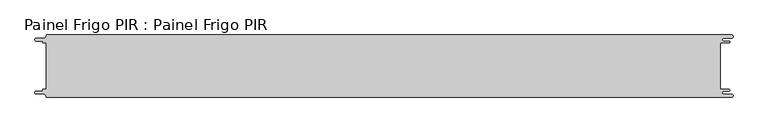
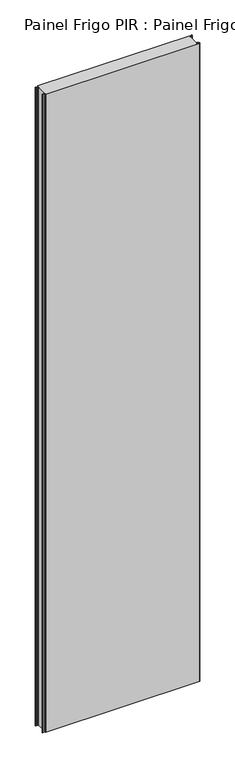
"""IFC4 building model written with IfcOpenShell, lengths in millimetres: proxy geometry, Painel Frigo PIR : Painel Frigo PIR."""

from ifc_helpers import new_model, si_unit, frame, origin, place, context, project, spatial, polyline, circle_curve, source, transform, mapped, element, save
from ifc_brep_helpers import plane_surface, cylinder_surface, revolved_surface, advanced_brep


def painel_frigo_pir_painel_frigo_pir_ecd0dfb1(model_context):
    return source(origin(), model_context, "Body", "AdvancedBrep", [
        advanced_brep(
        [(-554.5874998, -37.3, 4800.0), (-555.1874998, -37.9, 4800.0), (-555.1874998, -38.7085184, 4800.0), (-556.5875001, -40.1085187, 4800.0), (-565.565625, -40.1085187, 4800.0), (-565.565625, -44.5085185, 4800.0), (-553.55, -44.5085185, 4800.0), (-550.0, -48.0585185, 4800.0), (-548.05, -50.0, 4800.0), (546.89375, -50.0, 4800.0), (546.89375, -44.725, 4800.0), (534.45625, -44.725, 4800.0), (534.45625, -39.875, 4800.0), (543.1187503, -39.875, 4800.0), (543.1187503, -37.3, 4800.0), (529.2687503, -37.3, 4800.0), (529.2687503, 37.3, 4800.0), (543.1187503, 37.3, 4800.0), (543.1187503, 39.875, 4800.0), (534.45625, 39.875, 4800.0), (534.45625, 44.725, 4800.0), (546.89375, 44.725, 4800.0), (546.89375, 50.0, 4800.0), (-548.05, 50.0, 4800.0), (-550.0, 48.05, 4800.0), (-553.55, 44.5085185, 4800.0), (-565.565625, 44.5085185, 4800.0), (-565.565625, 40.1085185, 4800.0), (-556.5875003, 40.1085185, 4800.0), (-555.1875003, 38.7085185, 4800.0), (-555.1875003, 37.9, 4800.0), (-554.5874998, 37.2999995, 4800.0), (-549.2999612, 37.2999995, 4800.0), (-549.2999612, -37.3, 4800.0), (-554.5874998, -37.3, 0.0), (-549.2999612, -37.3, 0.0), (-549.2999612, 37.2999995, 0.0), (-554.5874998, 37.2999995, 0.0), (-555.1875003, 37.9, 0.0), (-555.1875003, 38.7085185, 0.0), (-556.5875003, 40.1085185, 0.0), (-565.565625, 40.1085185, 0.0), (-565.565625, 44.5085185, 0.0), (-553.55, 44.5085185, 0.0), (-550.0, 48.0585185, 0.0), (-548.05, 50.0, 0.0), (546.89375, 50.0, 0.0), (546.89375, 44.725, 0.0), (534.45625, 44.725, 0.0), (534.45625, 39.875, 0.0), (543.1187503, 39.875, 0.0), (543.1187503, 37.3, 0.0), (529.2687503, 37.3, 0.0), (529.2687503, -37.3, 0.0), (543.1187503, -37.3, 0.0), (543.1187503, -39.875, 0.0), (534.45625, -39.875, 0.0), (534.45625, -44.725, 0.0), (546.89375, -44.725, 0.0), (546.89375, -50.0, 0.0), (-548.05, -50.0, 0.0), (-550.0, -48.05, 0.0), (-553.55, -44.5085185, 0.0), (-565.565625, -44.5085185, 0.0), (-565.565625, -40.1085187, 0.0), (-556.5875001, -40.1085187, 0.0), (-555.1874998, -38.7085184, 0.0), (-555.1874998, -37.9, 0.0)],
        [
            (0, 1, circle_curve(frame((-554.5874998, -37.9, 4800.0), z_axis=(0.0, 0.0, 1.0), x_axis=(1.0, 0.0, 0.0)), 0.6)),
            (1, 2),
            (2, 3, circle_curve(frame((-556.5875001, -38.7085184, 4800.0), z_axis=(0.0, 0.0, -1.0), x_axis=(1.0, 0.0, 0.0)), 1.4000003)),
            (3, 4),
            (4, 5, circle_curve(frame((-565.565625, -42.3085186, 4800.0), z_axis=(0.0, 0.0, 1.0), x_axis=(1.0, 0.0, 0.0)), 2.1999999)),
            (5, 6),
            (6, 7, circle_curve(frame((-553.55, -48.0585185, 4800.0), z_axis=(0.0, 0.0, -1.0), x_axis=(1.0, 0.0, 0.0)), 3.55)),
            (7, 8, circle_curve(frame((-548.05, -48.05, 4800.0), z_axis=(0.0, 0.0, 1.0), x_axis=(1.0, 0.0, 0.0)), 1.95)),
            (8, 9),
            (9, 10, circle_curve(frame((546.89375, -47.3625, 4800.0), z_axis=(0.0, 0.0, 1.0), x_axis=(1.0, 0.0, 0.0)), 2.6375)),
            (10, 11),
            (11, 12, circle_curve(frame((534.45625, -42.3, 4800.0), z_axis=(0.0, 0.0, -1.0), x_axis=(1.0, 0.0, 0.0)), 2.425)),
            (12, 13),
            (13, 14, circle_curve(frame((543.1187503, -38.5875, 4800.0), z_axis=(0.0, 0.0, 1.0), x_axis=(1.0, 0.0, 0.0)), 1.2875)),
            (14, 15),
            (15, 16),
            (16, 17),
            (17, 18, circle_curve(frame((543.1187503, 38.5875, 4800.0), z_axis=(0.0, 0.0, 1.0), x_axis=(1.0, 0.0, 0.0)), 1.2875)),
            (18, 19),
            (19, 20, circle_curve(frame((534.45625, 42.3, 4800.0), z_axis=(0.0, 0.0, -1.0), x_axis=(1.0, 0.0, 0.0)), 2.425)),
            (20, 21),
            (21, 22, circle_curve(frame((546.89375, 47.3625, 4800.0), z_axis=(0.0, 0.0, 1.0), x_axis=(1.0, 0.0, 0.0)), 2.6375)),
            (22, 23),
            (23, 24, circle_curve(frame((-548.05, 48.05, 4800.0), z_axis=(0.0, 0.0, 1.0), x_axis=(1.0, 0.0, 0.0)), 1.95)),
            (24, 25, circle_curve(frame((-553.55, 48.0585185, 4800.0), z_axis=(0.0, 0.0, -1.0), x_axis=(1.0, 0.0, 0.0)), 3.55)),
            (25, 26),
            (26, 27, circle_curve(frame((-565.565625, 42.3085185, 4800.0), z_axis=(0.0, 0.0, 1.0), x_axis=(1.0, 0.0, 0.0)), 2.2)),
            (27, 28),
            (28, 29, circle_curve(frame((-556.5875003, 38.7085185, 4800.0), z_axis=(0.0, 0.0, -1.0), x_axis=(1.0, 0.0, 0.0)), 1.4)),
            (29, 30),
            (30, 31, circle_curve(frame((-554.5874998, 37.9, 4800.0), z_axis=(0.0, 0.0, 1.0), x_axis=(1.0, 0.0, 0.0)), 0.6000005)),
            (31, 32),
            (32, 33),
            (33, 0),
            (34, 35),
            (35, 36),
            (36, 37),
            (37, 38, circle_curve(frame((-554.5874998, 37.9, 0.0), z_axis=(0.0, 0.0, -1.0), x_axis=(1.0, 0.0, 0.0)), 0.6000005)),
            (38, 39),
            (39, 40, circle_curve(frame((-556.5875003, 38.7085185, 0.0), z_axis=(0.0, 0.0, 1.0), x_axis=(1.0, 0.0, 0.0)), 1.4)),
            (40, 41),
            (41, 42, circle_curve(frame((-565.565625, 42.3085185, 0.0), z_axis=(0.0, 0.0, -1.0), x_axis=(1.0, 0.0, 0.0)), 2.2)),
            (42, 43),
            (43, 44, circle_curve(frame((-553.55, 48.0585185, 0.0), z_axis=(0.0, 0.0, 1.0), x_axis=(1.0, 0.0, 0.0)), 3.55)),
            (44, 45, circle_curve(frame((-548.05, 48.05, 0.0), z_axis=(0.0, 0.0, -1.0), x_axis=(1.0, 0.0, 0.0)), 1.95)),
            (45, 46),
            (46, 47, circle_curve(frame((546.89375, 47.3625, 0.0), z_axis=(0.0, 0.0, -1.0), x_axis=(1.0, 0.0, 0.0)), 2.6375)),
            (47, 48),
            (48, 49, circle_curve(frame((534.45625, 42.3, 0.0), z_axis=(0.0, 0.0, 1.0), x_axis=(1.0, 0.0, 0.0)), 2.425)),
            (49, 50),
            (50, 51, circle_curve(frame((543.1187503, 38.5875, 0.0), z_axis=(0.0, 0.0, -1.0), x_axis=(1.0, 0.0, 0.0)), 1.2875)),
            (51, 52),
            (52, 53),
            (53, 54),
            (54, 55, circle_curve(frame((543.1187503, -38.5875, 0.0), z_axis=(0.0, 0.0, -1.0), x_axis=(1.0, 0.0, 0.0)), 1.2875)),
            (55, 56),
            (56, 57, circle_curve(frame((534.45625, -42.3, 0.0), z_axis=(0.0, 0.0, 1.0), x_axis=(1.0, 0.0, 0.0)), 2.425)),
            (57, 58),
            (58, 59, circle_curve(frame((546.89375, -47.3625, 0.0), z_axis=(0.0, 0.0, -1.0), x_axis=(1.0, 0.0, 0.0)), 2.6375)),
            (59, 60),
            (60, 61, circle_curve(frame((-548.05, -48.05, 0.0), z_axis=(0.0, 0.0, -1.0), x_axis=(1.0, 0.0, 0.0)), 1.95)),
            (61, 62, circle_curve(frame((-553.55, -48.0585185, 0.0), z_axis=(0.0, 0.0, 1.0), x_axis=(1.0, 0.0, 0.0)), 3.55)),
            (62, 63),
            (63, 64, circle_curve(frame((-565.565625, -42.3085186, 0.0), z_axis=(0.0, 0.0, -1.0), x_axis=(1.0, 0.0, 0.0)), 2.1999999)),
            (64, 65),
            (65, 66, circle_curve(frame((-556.5875001, -38.7085184, 0.0), z_axis=(0.0, 0.0, 1.0), x_axis=(1.0, 0.0, 0.0)), 1.4000003)),
            (66, 67),
            (67, 34, circle_curve(frame((-554.5874998, -37.9, 0.0), z_axis=(0.0, 0.0, -1.0), x_axis=(1.0, 0.0, 0.0)), 0.6)),
            (33, 35),
            (34, 0),
            (32, 36),
            (31, 37),
            (30, 38),
            (29, 39),
            (28, 40),
            (27, 41),
            (26, 42),
            (25, 43),
            (24, 44),
            (23, 45),
            (22, 46),
            (15, 53),
            (52, 16),
            (14, 54),
            (13, 55),
            (12, 56),
            (11, 57),
            (10, 58),
            (9, 59),
            (8, 60),
            (7, 61),
            (6, 62),
            (5, 63),
            (4, 64),
            (3, 65),
            (2, 66),
            (1, 67),
            (21, 47),
            (20, 48),
            (19, 49),
            (18, 50),
            (17, 51),
        ],
        [
            plane_surface(frame((-549.2999612, -37.3, 4800.0), z_axis=(0.0, 0.0, 1.0), x_axis=(1.0, 0.0, 0.0))),
            plane_surface(frame((-549.2999612, -37.3, 0.0), z_axis=(0.0, 0.0, -1.0), x_axis=(-1.0, 0.0, 0.0))),
            plane_surface(frame((-554.5874998, -37.3, 4800.0), z_axis=(0.0, 1.0, 0.0), x_axis=(0.0, 0.0, -1.0))),
            plane_surface(frame((-549.2999612, -37.3, 4800.0), z_axis=(-1.0, 0.0, 0.0), x_axis=(0.0, 0.0, -1.0))),
            plane_surface(frame((-549.2999612, 37.2999995, 4800.0), z_axis=(0.0, -1.0, 0.0), x_axis=(0.0, 0.0, -1.0))),
            cylinder_surface(frame((-554.5874998, 37.9, 0.0), z_axis=(0.0, 0.0, 1.0), x_axis=(1.0, 0.0, 0.0)), 0.6000005),
            plane_surface(frame((-555.1875003, 37.9, 4800.0), z_axis=(-1.0, -1.757860866232943e-12, 0.0), x_axis=(0.0, 0.0, -1.0))),
            revolved_surface(polyline([(-555.1875003, 38.7085185, 0.0), (-555.1875003, 38.7085185, 4800.0)]), (-556.5875003, 38.7085185, 0.0), (0.0, 0.0, -1.0)),
            plane_surface(frame((-556.5875003, 40.1085185, 4800.0), z_axis=(0.0, -1.0, 0.0), x_axis=(0.0, 0.0, -1.0))),
            cylinder_surface(frame((-565.565625, 42.3085185, 0.0), z_axis=(0.0, 0.0, 1.0), x_axis=(1.0, 0.0, 0.0)), 2.2),
            plane_surface(frame((-565.565625, 44.5085185, 4800.0), z_axis=(0.0, 1.0, 0.0), x_axis=(0.0, 0.0, -1.0))),
            revolved_surface(polyline([(-550.0, 48.0585185, 0.0), (-550.0, 48.0585185, 4800.0)]), (-553.55, 48.0585185, 0.0), (0.0, 0.0, -1.0)),
            cylinder_surface(frame((-548.05, 48.05, 0.0), z_axis=(0.0, 0.0, 1.0), x_axis=(1.0, 0.0, 0.0)), 1.95),
            plane_surface(frame((-548.05, 50.0, 4800.0), z_axis=(0.0, 1.0, 0.0), x_axis=(0.0, 0.0, -1.0))),
            plane_surface(frame((529.2687503, 37.3, 4800.0), z_axis=(1.0, 0.0, 0.0), x_axis=(0.0, 0.0, -1.0))),
            plane_surface(frame((529.2687503, -37.3, 4800.0), z_axis=(0.0, 1.0, 0.0), x_axis=(0.0, 0.0, -1.0))),
            cylinder_surface(frame((543.1187503, -38.5875, 0.0), z_axis=(0.0, 0.0, 1.0), x_axis=(1.0, 0.0, 0.0)), 1.2875),
            plane_surface(frame((543.1187503, -39.875, 4800.0), z_axis=(0.0, -1.0, 0.0), x_axis=(0.0, 0.0, -1.0))),
            revolved_surface(polyline([(536.8812499999999, -42.3, 0.0), (536.8812499999999, -42.3, 4800.0)]), (534.45625, -42.3, 0.0), (0.0, 0.0, -1.0)),
            plane_surface(frame((534.45625, -44.725, 4800.0), z_axis=(0.0, 1.0, 0.0), x_axis=(0.0, 0.0, -1.0))),
            cylinder_surface(frame((546.89375, -47.3625, 0.0), z_axis=(0.0, 0.0, 1.0), x_axis=(1.0, 0.0, 0.0)), 2.6375),
            plane_surface(frame((546.89375, -50.0, 4800.0), z_axis=(0.0, -1.0, 0.0), x_axis=(0.0, 0.0, -1.0))),
            cylinder_surface(frame((-548.05, -48.05, 0.0), z_axis=(0.0, 0.0, 1.0), x_axis=(1.0, 0.0, 0.0)), 1.95),
            revolved_surface(polyline([(-550.0, -48.0585185, 0.0), (-550.0, -48.0585185, 4800.0)]), (-553.55, -48.0585185, 0.0), (0.0, 0.0, -1.0)),
            plane_surface(frame((-553.55, -44.5085185, 4800.0), z_axis=(0.0, -1.0, 0.0), x_axis=(0.0, 0.0, -1.0))),
            cylinder_surface(frame((-565.565625, -42.3085186, 0.0), z_axis=(0.0, 0.0, 1.0), x_axis=(1.0, 0.0, 0.0)), 2.1999999),
            plane_surface(frame((-565.565625, -40.1085187, 4800.0), z_axis=(0.0, 1.0, 0.0), x_axis=(0.0, 0.0, -1.0))),
            revolved_surface(polyline([(-555.1874998000001, -38.7085184, 0.0), (-555.1874998000001, -38.7085184, 4800.0)]), (-556.5875001, -38.7085184, 0.0), (0.0, 0.0, -1.0)),
            plane_surface(frame((-555.1874998, -38.7085184, 4800.0), z_axis=(-1.0, 0.0, 0.0), x_axis=(0.0, 0.0, -1.0))),
            cylinder_surface(frame((-554.5874998, -37.9, 0.0), z_axis=(0.0, 0.0, 1.0), x_axis=(1.0, 0.0, 0.0)), 0.6),
            cylinder_surface(frame((546.89375, 47.3625, 0.0), z_axis=(0.0, 0.0, 1.0), x_axis=(1.0, 0.0, 0.0)), 2.6375),
            plane_surface(frame((546.89375, 44.725, 4800.0), z_axis=(0.0, -1.0, 0.0), x_axis=(0.0, 0.0, -1.0))),
            revolved_surface(polyline([(536.8812499999999, 42.3, 0.0), (536.8812499999999, 42.3, 4800.0)]), (534.45625, 42.3, 0.0), (0.0, 0.0, -1.0)),
            plane_surface(frame((534.45625, 39.875, 4800.0), z_axis=(0.0, 1.0, 0.0), x_axis=(0.0, 0.0, -1.0))),
            cylinder_surface(frame((543.1187503, 38.5875, 0.0), z_axis=(0.0, 0.0, 1.0), x_axis=(1.0, 0.0, 0.0)), 1.2875),
            plane_surface(frame((543.1187503, 37.3, 4800.0), z_axis=(0.0, -1.0, 0.0), x_axis=(0.0, 0.0, -1.0))),
        ],
        [
            (0, [[1, 2, 3, 4, 5, 6, 7, 8, 9, 10, 11, 12, 13, 14, 15, 16, 17, 18, 19, 20, 21, 22, 23, 24, 25, 26, 27, 28, 29, 30, 31, 32, 33, 34]]),
            (1, [[35, 36, 37, 38, 39, 40, 41, 42, 43, 44, 45, 46, 47, 48, 49, 50, 51, 52, 53, 54, 55, 56, 57, 58, 59, 60, 61, 62, 63, 64, 65, 66, 67, 68]]),
            (2, [[69, -35, 70, -34]]),
            (3, [[71, -36, -69, -33]]),
            (4, [[72, -37, -71, -32]]),
            (5, [[73, -38, -72, -31]]),
            (6, [[74, -39, -73, -30]]),
            (7, [[75, -40, -74, -29]]),
            (8, [[76, -41, -75, -28]]),
            (9, [[77, -42, -76, -27]]),
            (10, [[78, -43, -77, -26]]),
            (11, [[79, -44, -78, -25]]),
            (12, [[80, -45, -79, -24]]),
            (13, [[81, -46, -80, -23]]),
            (14, [[82, -53, 83, -16]]),
            (15, [[84, -54, -82, -15]]),
            (16, [[85, -55, -84, -14]]),
            (17, [[86, -56, -85, -13]]),
            (18, [[87, -57, -86, -12]]),
            (19, [[88, -58, -87, -11]]),
            (20, [[89, -59, -88, -10]]),
            (21, [[90, -60, -89, -9]]),
            (22, [[91, -61, -90, -8]]),
            (23, [[92, -62, -91, -7]]),
            (24, [[93, -63, -92, -6]]),
            (25, [[94, -64, -93, -5]]),
            (26, [[95, -65, -94, -4]]),
            (27, [[96, -66, -95, -3]]),
            (28, [[97, -67, -96, -2]]),
            (29, [[-70, -68, -97, -1]]),
            (30, [[98, -47, -81, -22]]),
            (31, [[99, -48, -98, -21]]),
            (32, [[100, -49, -99, -20]]),
            (33, [[101, -50, -100, -19]]),
            (34, [[102, -51, -101, -18]]),
            (35, [[-83, -52, -102, -17]]),
        ],
    ),
    ])


if __name__ == "__main__":
    model = new_model("IFC4")
    model_context = context("Model", 3, world=origin())
    ifc_project = project(units=[si_unit("LENGTHUNIT", "METRE", prefix="MILLI")], contexts=[model_context])
    site = spatial("IfcSite", under=ifc_project)
    building = spatial("IfcBuilding", under=site)
    placement = place(None, origin())
    painel_frigo_pir_painel_frigo_pir_shape = painel_frigo_pir_painel_frigo_pir_ecd0dfb1(model_context)
    element("IfcBuildingElementProxy", 1, Name="Painel Frigo PIR : Painel Frigo PIR", ObjectType="Painel Frigo PIR : Painel Frigo PIR", at=placement, inside=building, context=model_context, shape_type="MappedRepresentation", body=[
        mapped(painel_frigo_pir_painel_frigo_pir_shape, transform((0.0, 0.0, 0.0), x_axis=(1.0, 0.0, 0.0), y_axis=(0.0, 1.0, 0.0), z_axis=(0.0, 0.0, 1.0))),
    ])
    save(model, "model.ifc")
